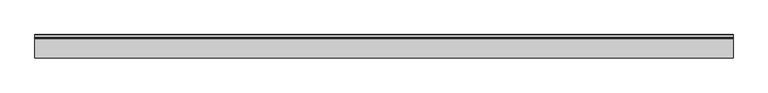
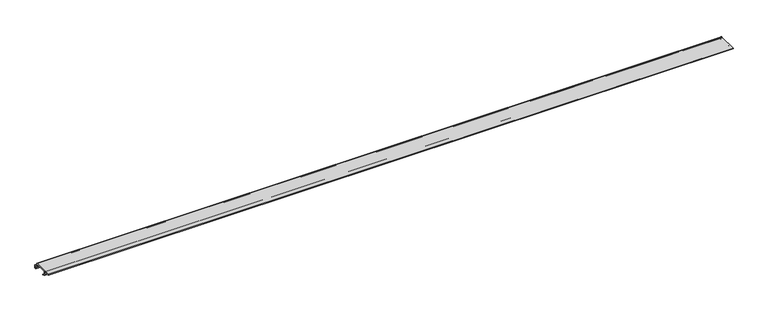
"""IFC4 building model written with IfcOpenShell, lengths in millimetres: proxy geometry."""

from ifc_helpers import new_model, si_unit, point, frame, frame_2d, origin, place, context, project, spatial, polyline, circle_curve, trimmed, segment, composite_curve, outline, extrude, source, transform, mapped, element, save


def generic_models_fa62bdc2(model_context):
    return source(origin(), model_context, "Body", "SweptSolid", [
        extrude(outline(composite_curve([segment(trimmed(circle_curve(frame_2d((-33.4636484, 22.9399889)), 1.8496399), [point((-33.4636484, 24.7896287))], [point((-31.6140086, 22.9399889))], False, "CARTESIAN"), True, "CONTINUOUS"), segment(polyline([(-31.6140086, 22.9399889), (-31.6140086, 18.8352017)]), True, "CONTINUOUS"), segment(trimmed(circle_curve(frame_2d((-29.9077885, 18.8352017)), 1.70622), [point((-31.6140086, 18.8352017))], [point((-30.6823962, 17.3149486))], True, "CARTESIAN"), True, "CONTINUOUS"), segment(polyline([(-30.6823962, 17.3149486), (-23.4329349, 13.6211635)]), True, "CONTINUOUS"), segment(trimmed(circle_curve(frame_2d((-24.9453175, 10.6529455)), 3.331309), [point((-23.4329349, 13.6211635))], [point((-21.6140086, 10.6529455))], False, "CARTESIAN"), True, "CONTINUOUS"), segment(polyline([(-21.6140086, 10.6529455), (-21.6140086, 4.6116865)]), True, "CONTINUOUS"), segment(trimmed(circle_curve(frame_2d((-24.1235663, 4.6116865)), 2.5095577), [point((-21.6140086, 4.6116865))], [point((-24.1235663, 2.1021287))], False, "CARTESIAN"), True, "CONTINUOUS"), segment(polyline([(-24.1235663, 2.1021287), (-25.6140086, 2.1021287), (-25.6140086, 4.1021287), (-24.3354377, 4.1021287)]), True, "CONTINUOUS"), segment(trimmed(circle_curve(frame_2d((-24.3354377, 4.8235579)), 0.7214291), [point((-24.3354377, 4.1021287))], [point((-23.6140086, 4.8235579))], True, "CARTESIAN"), True, "CONTINUOUS"), segment(polyline([(-23.6140086, 4.8235579), (-23.6140086, 10.0146763)]), True, "CONTINUOUS"), segment(trimmed(circle_curve(frame_2d((-25.9868782, 10.0146763)), 2.3728696), [point((-23.6140086, 10.0146763))], [point((-24.9096179, 12.1289186))], True, "CARTESIAN"), True, "CONTINUOUS"), segment(polyline([(-24.9096179, 12.1289186), (-32.038587, 15.7613098)]), True, "CONTINUOUS"), segment(trimmed(circle_curve(frame_2d((-30.7286713, 18.3321641)), 2.8853373), [point((-32.038587, 15.7613098))], [point((-33.6140086, 18.3321641))], False, "CARTESIAN"), True, "CONTINUOUS"), segment(polyline([(-33.6140086, 18.3321641), (-33.6140086, 20.6613256)]), True, "CONTINUOUS"), segment(trimmed(circle_curve(frame_2d((-35.7423117, 20.6613256)), 2.1283032), [point((-33.6140086, 20.6613256))], [point((-35.7423117, 22.7896287))], True, "CARTESIAN"), True, "CONTINUOUS"), segment(polyline([(-35.7423117, 22.7896287), (-71.9641405, 22.7896287)]), True, "CONTINUOUS"), segment(trimmed(circle_curve(frame_2d((-71.9641405, 20.1397607)), 2.6498681), [point((-71.9641405, 22.7896287))], [point((-74.6140086, 20.1397607))], True, "CARTESIAN"), True, "CONTINUOUS"), segment(polyline([(-74.6140086, 20.1397607), (-74.6140086, 13.7133542)]), True, "CONTINUOUS"), segment(trimmed(circle_curve(frame_2d((-71.8429222, 13.7133542)), 2.7710864), [point((-74.6140086, 13.7133542))], [point((-73.1009691, 11.2442982))], True, "CARTESIAN"), True, "CONTINUOUS"), segment(polyline([(-73.1009691, 11.2442982), (-65.1024413, 7.1688447), (-65.1024413, 4.9241923), (-74.89226, 9.912354)]), True, "CONTINUOUS"), segment(trimmed(circle_curve(frame_2d((-73.4606778, 12.7219923)), 3.1533308), [point((-74.89226, 9.912354))], [point((-76.6140086, 12.7219923))], False, "CARTESIAN"), True, "CONTINUOUS"), segment(polyline([(-76.6140086, 12.7219923), (-76.6140086, 20.3530431)]), True, "CONTINUOUS"), segment(trimmed(circle_curve(frame_2d((-79.0505942, 20.3530431)), 2.4365856), [point((-76.6140086, 20.3530431))], [point((-79.0505942, 22.7896287))], True, "CARTESIAN"), True, "CONTINUOUS"), segment(polyline([(-79.0505942, 22.7896287), (-96.1140086, 22.7896287), (-96.1140086, 24.7896287), (-33.4636484, 24.7896287)]), True, "CONTINUOUS")], self_intersect=False)), frame((0.0, 0.0, 0.0), z_axis=(1.0, 0.0, 0.0), x_axis=(0.0, 1.0, 0.0)), (0.0, 0.0, 1.0), 2212.0),
    ])


if __name__ == "__main__":
    model = new_model("IFC4")
    model_context = context("Model", 3, world=origin())
    ifc_project = project(units=[si_unit("LENGTHUNIT", "METRE", prefix="MILLI")], contexts=[model_context])
    site = spatial("IfcSite", under=ifc_project)
    building = spatial("IfcBuilding", under=site)
    placement = place(None, origin())
    generic_models_shape = generic_models_fa62bdc2(model_context)
    element("IfcBuildingElementProxy", 1, Name="Generic Models", at=placement, inside=building, context=model_context, shape_type="MappedRepresentation", body=[
        mapped(generic_models_shape, transform((0.0, 0.0, 0.0), x_axis=(1.0, 0.0, 0.0), y_axis=(0.0, 1.0, 0.0), z_axis=(0.0, 0.0, 1.0))),
    ])
    save(model, "model.ifc")
